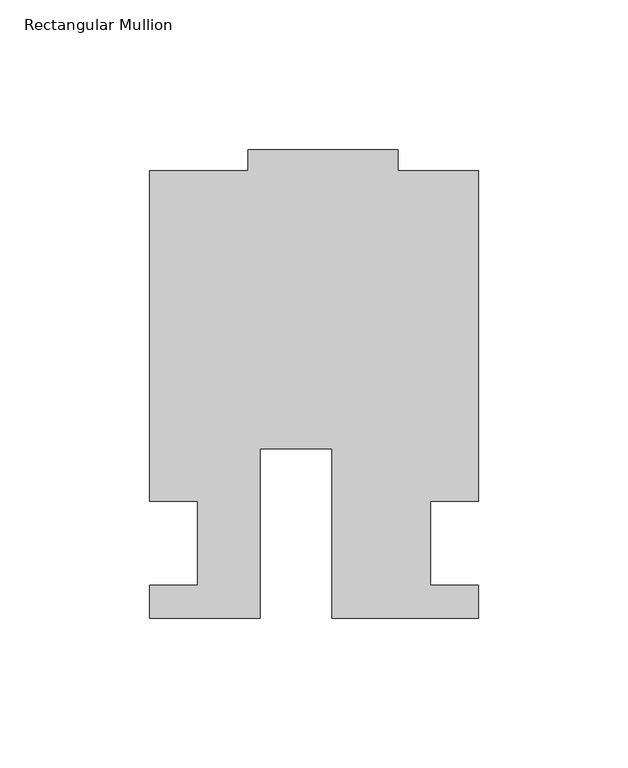
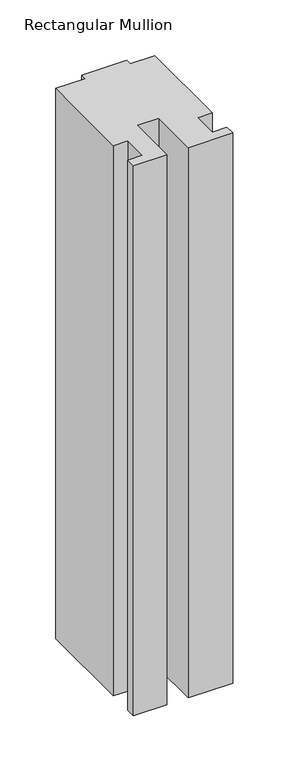
"""IFC4 building model written with IfcOpenShell, lengths in millimetres: member geometry, Rectangular Mullion."""

import ifcopenshell
import ifcopenshell.guid

model = None  # the IFC model being written
_history = None  # IfcOwnerHistory: only IFC2X3 demands one
_inside = {}  # id of a spatial element -> (the spatial element, [elements in it])
_under = {}  # id of a project, library or spatial element -> (it, [spatial elements below it])
_declared = {}  # id of a project -> (the project, [libraries it declares])
_typed = {}  # id of a type object -> (the type object, [elements of that type])
_made_of = {}  # id of a material, layer set ... -> (it, [elements and type objects made of it])


def new_model(schema):
    """Start an empty IFC model of exactly this schema.

    Asked for "IFC4X3", IfcOpenShell would pick the latest addendum, in which some entities
    have other attributes; the version numbers below select the first issue.
    IFC2X3 requires an IfcOwnerHistory on every rooted entity: one is made here for all.
    """
    global model, _history
    if schema == "IFC4X3":
        model = ifcopenshell.file(schema_version=(4, 3, 0, 0))
    else:
        model = ifcopenshell.file(schema=schema)
    _inside.clear()
    _under.clear()
    _declared.clear()
    _typed.clear()
    _made_of.clear()
    _history = None
    if model.schema == "IFC2X3":
        org = make("IfcOrganization", Name="unknown")
        user = make(
            "IfcPersonAndOrganization",
            ThePerson=make("IfcPerson", FamilyName="unknown"),
            TheOrganization=org,
        )
        app = make(
            "IfcApplication",
            ApplicationDeveloper=org,
            Version="unknown",
            ApplicationFullName="unknown",
            ApplicationIdentifier="unknown",
        )
        _history = make(
            "IfcOwnerHistory",
            OwningUser=user,
            OwningApplication=app,
            ChangeAction="ADDED",
            CreationDate=0,
        )
    return model


def make(cls, **values):
    """One entity of the class cls with the attributes given. An attribute that is None is left unset."""
    return model.create_entity(
        cls, **{name: value for name, value in values.items() if value is not None}
    )


def rooted(cls, **values):
    """An entity with a GlobalId (a new one), such as an element, a storey or a relation."""
    return make(cls, GlobalId=ifcopenshell.guid.new(), OwnerHistory=_history, **values)


def si_unit(unit_type, name, prefix=None):
    """IfcSIUnit, for example si_unit("LENGTHUNIT", "METRE", prefix="MILLI")."""
    return make("IfcSIUnit", UnitType=unit_type, Prefix=prefix, Name=name)


def assignment(units):
    """IfcUnitAssignment: the units of a project."""
    return None if units is None else make("IfcUnitAssignment", Units=units)


def point(xyz):
    """IfcCartesianPoint."""
    return None if xyz is None else make("IfcCartesianPoint", Coordinates=xyz)


def direction(xyz):
    """IfcDirection."""
    return None if xyz is None else make("IfcDirection", DirectionRatios=xyz)


def frame(location, z_axis=None, x_axis=None):
    """IfcAxis2Placement3D, a coordinate frame: its origin and axes. An axis left out is left unset."""
    return make(
        "IfcAxis2Placement3D",
        Location=point(location),
        Axis=direction(z_axis),
        RefDirection=direction(x_axis),
    )


def origin():
    """The frame at (0, 0, 0) with its axes left unset."""
    return frame((0.0, 0.0, 0.0))


def place(relative_to, where):
    """IfcLocalPlacement: puts the frame where relative to a parent placement (None: the world)."""
    return make(
        "IfcLocalPlacement", PlacementRelTo=relative_to, RelativePlacement=where
    )


def context(
    kind, dimensions, precision=None, world=None, true_north=None, identifier=None
):
    """IfcGeometricRepresentationContext, for example the 3D "Model" context."""
    return make(
        "IfcGeometricRepresentationContext",
        ContextIdentifier=identifier,
        ContextType=kind,
        CoordinateSpaceDimension=dimensions,
        Precision=precision,
        WorldCoordinateSystem=world,
        TrueNorth=true_north,
    )


def project(units=None, contexts=None):
    """IfcProject with its units and contexts."""
    return rooted(
        "IfcProject",
        Name="project",
        RepresentationContexts=contexts,
        UnitsInContext=assignment(units),
    )


def spatial(cls, under=None, at=None, **own):
    """A site, building, storey or space (cls), placed at a placement, below another one or the project."""
    s = rooted(cls, ObjectPlacement=at, **own)
    if under is not None:
        _under.setdefault(under.id(), (under, []))[1].append(s)
    return s


def polyline(points):
    """IfcPolyline through the points."""
    return make("IfcPolyline", Points=[point(p) for p in points])


def outline(outer, holes=None, kind="AREA"):
    """IfcArbitraryClosedProfileDef: a profile drawn as a closed curve; with holes, ...WithVoids."""
    if holes is None:
        return make("IfcArbitraryClosedProfileDef", ProfileType=kind, OuterCurve=outer)
    return make(
        "IfcArbitraryProfileDefWithVoids",
        ProfileType=kind,
        OuterCurve=outer,
        InnerCurves=holes,
    )


def extrude(swept, where, along, depth):
    """IfcExtrudedAreaSolid: the profile swept, set in the frame where, extruded along a direction by depth."""
    return make(
        "IfcExtrudedAreaSolid",
        SweptArea=swept,
        Position=where,
        ExtrudedDirection=direction(along),
        Depth=depth,
    )


def shape(context_of_items, identifier, shape_type, items):
    """IfcShapeRepresentation: the items that make up one representation, for example the "Body"."""
    return make(
        "IfcShapeRepresentation",
        ContextOfItems=context_of_items,
        RepresentationIdentifier=identifier,
        RepresentationType=shape_type,
        Items=items,
    )


def source(mapping_origin, context_of_items, identifier, shape_type, items):
    """IfcRepresentationMap: a shape defined once, which mapped items show again and again."""
    return make(
        "IfcRepresentationMap",
        MappingOrigin=mapping_origin,
        MappedRepresentation=shape(context_of_items, identifier, shape_type, items),
    )


def transform(
    local_origin,
    x_axis=None,
    y_axis=None,
    z_axis=None,
    scale=None,
    scale2=None,
    scale3=None,
    uniform=True,
):
    """IfcCartesianTransformationOperator3D, or its non-uniform kind. x_axis, y_axis, z_axis: its Axis1, 2, 3."""
    if uniform:
        return make(
            "IfcCartesianTransformationOperator3D",
            Axis1=direction(x_axis),
            Axis2=direction(y_axis),
            LocalOrigin=point(local_origin),
            Scale=scale,
            Axis3=direction(z_axis),
        )
    return make(
        "IfcCartesianTransformationOperator3DnonUniform",
        Axis1=direction(x_axis),
        Axis2=direction(y_axis),
        LocalOrigin=point(local_origin),
        Scale=scale,
        Axis3=direction(z_axis),
        Scale2=scale2,
        Scale3=scale3,
    )


def mapped(mapping_source, mapping_target):
    """IfcMappedItem: shows the shape of a source again, moved by a transform."""
    return make(
        "IfcMappedItem", MappingSource=mapping_source, MappingTarget=mapping_target
    )


def made_of(thing, what):
    """Note that an element or type object is made of a material, layer set ...; save() writes the relation."""
    if what is not None:
        _made_of.setdefault(what.id(), (what, []))[1].append(thing)
    return thing


def element(
    cls,
    number,
    at=None,
    inside=None,
    cuts=None,
    type_object=None,
    material=None,
    context=None,
    identifier="Body",
    shape_type=None,
    held_by="IfcProductDefinitionShape",
    body=None,
    shapes=None,
    **own,
):
    """One element of the class cls, such as IfcWall. Its Tag is "e" and its number.

    at: its placement. inside: the storey or other place that contains it. cuts: it is an
    opening in that element (IfcRelVoidsElement). A single representation is given by context,
    identifier, shape_type and body (its items); several are given by shapes. held_by: the class
    of the entity that holds the representations. save() writes the other relations.
    """
    e = rooted(cls, Tag="e%d" % number, ObjectPlacement=at, **own)
    if body is not None:
        shapes = [shape(context, identifier, shape_type, body)]
    if shapes is not None:
        e.Representation = make(held_by, Representations=shapes)
    if inside is not None:
        _inside.setdefault(inside.id(), (inside, []))[1].append(e)
    if cuts is not None:
        rooted(
            "IfcRelVoidsElement", RelatingBuildingElement=cuts, RelatedOpeningElement=e
        )
    if type_object is not None:
        _typed.setdefault(type_object.id(), (type_object, []))[1].append(e)
    return made_of(e, material)


def aggregate(whole, parts):
    """IfcRelAggregates: a whole, such as a stair, and the parts it consists of."""
    return rooted("IfcRelAggregates", RelatingObject=whole, RelatedObjects=parts)


def save(model, path):
    """Write the relations noted so far, then the file.

    IfcRelAggregates (storeys below a building ...), IfcRelContainedInSpatialStructure (elements
    in a storey), IfcRelDefinesByType, IfcRelAssociatesMaterial and IfcRelDeclares: one each for
    every whole, place, type object, material and project.
    """
    for whole, parts in _under.values():
        aggregate(whole, parts)
    for where, things in _inside.values():
        rooted(
            "IfcRelContainedInSpatialStructure",
            RelatedElements=things,
            RelatingStructure=where,
        )
    for kind, things in _typed.values():
        rooted("IfcRelDefinesByType", RelatedObjects=things, RelatingType=kind)
    for what, things in _made_of.values():
        rooted("IfcRelAssociatesMaterial", RelatedObjects=things, RelatingMaterial=what)
    for by, libraries in _declared.values():
        rooted("IfcRelDeclares", RelatingContext=by, RelatedDefinitions=libraries)
    model.write(path)


def rectangular_mullion_14cc5e15(model_context):
    return source(origin(), model_context, "Body", "SweptSolid", [
        extrude(outline(polyline([(-24.0309529, -25.0), (-60.9971154, -25.0), (-60.9971154, -14.0), (-44.9942308, -14.0), (-44.9942308, 13.9998907), (-60.9971154, 13.9998907), (-60.9971154, 124.4999439), (-27.9971154, 124.4999439), (-27.9971154, 131.5), (22.0028846, 131.5), (22.0028846, 124.5), (49.0, 124.5), (49.0, 14.0), (33.0, 14.0), (33.0, -14.0), (49.0, -14.0), (49.0, -25.0), (0.0028846, -25.0), (0.0028846, 31.6008577), (-24.0309529, 31.6008577), (-24.0309529, -25.0)])), frame((0.0, 0.0, -645.561551), z_axis=(0.0, 0.0, 1.0), x_axis=(1.0, 0.0, 0.0)), (0.0, 0.0, 1.0), 645.561551),
    ])


if __name__ == "__main__":
    model = new_model("IFC4")
    model_context = context("Model", 3, world=origin())
    ifc_project = project(units=[si_unit("LENGTHUNIT", "METRE", prefix="MILLI")], contexts=[model_context])
    site = spatial("IfcSite", under=ifc_project)
    building = spatial("IfcBuilding", under=site)
    placement = place(None, origin())
    rectangular_mullion_shape = rectangular_mullion_14cc5e15(model_context)
    element("IfcMember", 1, ObjectType="Rectangular Mullion", at=placement, inside=building, context=model_context, shape_type="MappedRepresentation", body=[
        mapped(rectangular_mullion_shape, transform((0.0, 0.0, 0.0), x_axis=(1.0, 0.0, 0.0), y_axis=(0.0, 1.0, 0.0), z_axis=(0.0, 0.0, 1.0))),
    ])
    save(model, "model.ifc")
